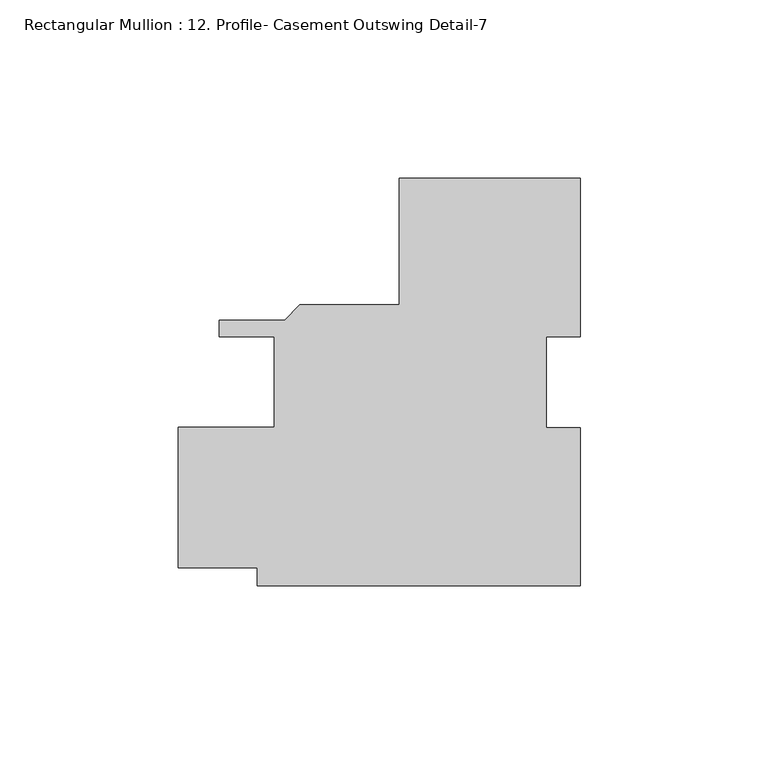
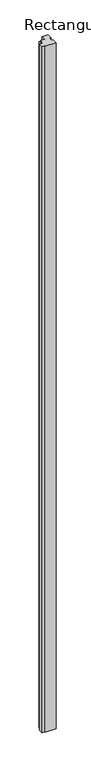
"""IFC4 building model written with IfcOpenShell, lengths in millimetres: member geometry, Rectangular Mullion : 12. Profile- Casement Outswing Detail-7."""

from ifc_helpers import new_model, si_unit, frame, origin, place, context, project, spatial, polyline, outline, extrude, source, transform, mapped, element, save


def rectangular_mullion_12_profile_casement_outswing_detail_7_758a4094(model_context):
    return source(origin(), model_context, "Body", "SweptSolid", [
        extrude(outline(polyline([(22.9743, -57.1500426), (-67.5317135, -57.1500426), (-67.5317135, -52.0700633), (-89.7382, -52.0700633), (-89.7382, -12.7000633), (-62.7692135, -12.7000633), (-62.7692135, 12.6999365), (-78.2518495, 12.6999365), (-78.2518495, 17.3989367), (-59.8878552, 17.3989367), (-55.6206552, 21.6661367), (-27.8311077, 21.6661367), (-27.8311077, 57.1499574), (22.9688923, 57.1499574), (22.9688923, 12.7325896), (13.449842, 12.7325896), (13.449842, -12.7551088), (22.9743, -12.7551088), (22.9743, -57.1500426)])), frame((0.0, 0.0, -6096.0), z_axis=(0.0, 0.0, 1.0), x_axis=(1.0, 0.0, 0.0)), (0.0, 0.0, 1.0), 6096.0),
    ])


if __name__ == "__main__":
    model = new_model("IFC4")
    model_context = context("Model", 3, world=origin())
    ifc_project = project(units=[si_unit("LENGTHUNIT", "METRE", prefix="MILLI")], contexts=[model_context])
    site = spatial("IfcSite", under=ifc_project)
    building = spatial("IfcBuilding", under=site)
    placement = place(None, origin())
    rectangular_mullion_12_profile_casement_outswing_detail_7_shape = rectangular_mullion_12_profile_casement_outswing_detail_7_758a4094(model_context)
    element("IfcMember", 1, ObjectType="Rectangular Mullion : 12. Profile- Casement Outswing Detail-7", at=placement, inside=building, context=model_context, shape_type="MappedRepresentation", body=[
        mapped(rectangular_mullion_12_profile_casement_outswing_detail_7_shape, transform((0.0, 0.0, 0.0), x_axis=(1.0, 0.0, 0.0), y_axis=(0.0, 1.0, 0.0), z_axis=(0.0, 0.0, 1.0))),
    ])
    save(model, "model.ifc")
